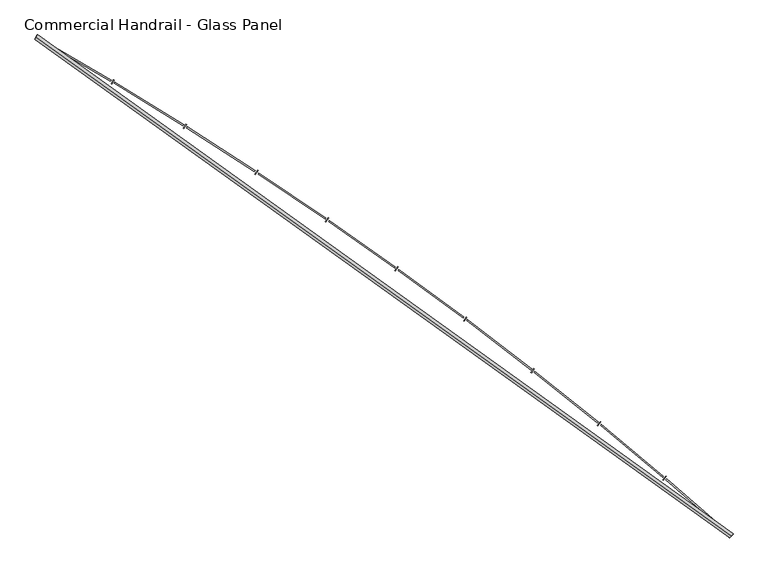
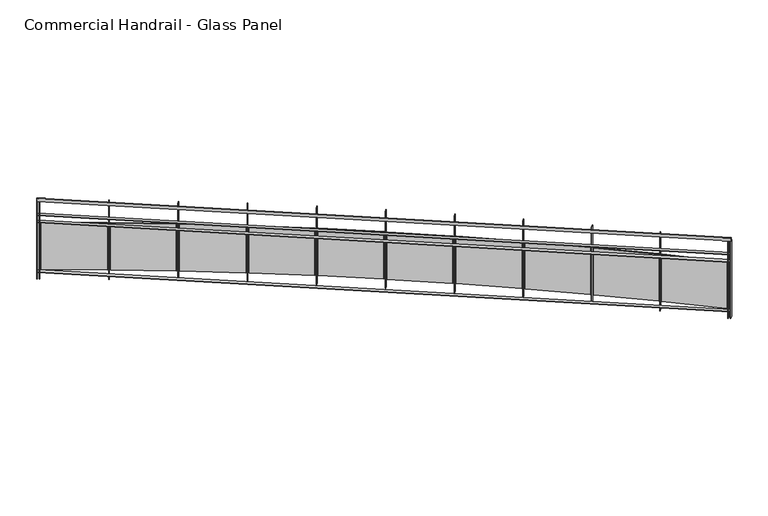
"""IFC4 building model written with IfcOpenShell, lengths in millimetres: railing geometry, Commercial Handrail - Glass Panel."""

from ifc_helpers import new_model, si_unit, point, frame, origin, place, context, project, spatial, polyline, circle_curve, ellipse_curve, trimmed, outline, extrude, source, transform, mapped, element, save
from ifc_brep_helpers import plane_surface, cylinder_surface, revolved_surface, advanced_brep


def commercial_handrail_glass_panel_553c656f(model_context):
    return source(origin(), model_context, "Body", "SolidModel", [
        advanced_brep(
        [(167549.0741026, -21421.502679, 29882.5), (161013.6212135, -16726.1286002, 29882.5), (161013.6212135, -16726.1286002, 29917.5), (167549.0741026, -21421.502679, 29917.5)],
        [
            (0, 1, circle_curve(frame((141448.4989992, -50854.6714836, 29882.5), z_axis=(0.0, 0.0, 1.0), x_axis=(0.4973475894068907, 0.8675513675346002, 0.0)), 39338.9304203)),
            (1, 2, ellipse_curve(frame((161013.6212135, -16726.1286002, 29900.0), z_axis=(0.8675513675345968, -0.4973475894068965, 0.0), x_axis=(-0.4973475894068965, -0.8675513675345968, 0.0)), 25.0, 17.5)),
            (2, 3, circle_curve(frame((141448.4989992, -50854.6714836, 29917.5), z_axis=(0.0, 0.0, -1.0), x_axis=(0.4973475894068907, 0.8675513675346002, 0.0)), 39338.9304203)),
            (3, 0, ellipse_curve(frame((167549.0741026, -21421.502679, 29900.0), z_axis=(-0.7481944346262088, 0.6634795309535689, 0.0), x_axis=(-0.6634795309535689, -0.7481944346262088, 0.0)), 25.0, 17.5)),
            (2, 1, ellipse_curve(frame((161013.6212135, -16726.1286002, 29900.0), z_axis=(0.8675513675345968, -0.4973475894068965, 0.0), x_axis=(-0.4973475894068965, -0.8675513675345968, 0.0)), 25.0, 17.5)),
            (0, 3, ellipse_curve(frame((167549.0741026, -21421.502679, 29900.0), z_axis=(-0.7481944346262088, 0.6634795309535689, 0.0), x_axis=(-0.6634795309535689, -0.7481944346262088, 0.0)), 25.0, 17.5)),
        ],
        [
            revolved_surface(trimmed(ellipse_curve(frame((161013.6212135, -16726.1286002, 29900.0), z_axis=(-0.8675513675346002, 0.4973475894068907, 0.0), x_axis=(0.0, 0.0, -1.0)), 17.5, 25.0), [point((161013.6212135, -16726.1286002, 29917.5))], [point((161013.6212135, -16726.1286002, 29882.5))], True, "CARTESIAN"), (141448.4989992, -50854.6714836, 29900.0), (0.0, 0.0, -1.0)),
            revolved_surface(trimmed(ellipse_curve(frame((161013.6212135, -16726.1286002, 29900.0), z_axis=(-0.8675513675346002, 0.4973475894068907, 0.0), x_axis=(0.0, 0.0, -1.0)), 17.5, 25.0), [point((161013.6212135, -16726.1286002, 29882.5))], [point((161013.6212135, -16726.1286002, 29917.5))], True, "CARTESIAN"), (141448.4989992, -50854.6714836, 29900.0), (0.0, 0.0, -1.0)),
            plane_surface(frame((161013.6212135, -16726.1286002, 29900.0), z_axis=(-0.8675513675346002, 0.4973475894068907, 0.0), x_axis=(0.4973475894068907, 0.8675513675346002, 0.0))),
            plane_surface(frame((167549.0741026, -21421.502679, 29900.0), z_axis=(0.7481944346262088, -0.663479530953569, 0.0), x_axis=(0.663479530953569, 0.7481944346262088, 0.0))),
        ],
        [
            (0, [[1, 2, 3, 4]]),
            (1, [[-3, 5, -1, 6]]),
            (2, [[-2, -5]]),
            (3, [[-6, -4]]),
        ],
    ),
        advanced_brep(
        [(167564.0023921, -21404.6683042, 29700.0), (161024.8115343, -16706.6086944, 29700.0), (161002.4308928, -16745.6485059, 29700.0), (167534.1458132, -21438.3370538, 29700.0), (167564.0023921, -21404.6683042, 29694.0), (161024.8115343, -16706.6086944, 29694.0), (167534.1458132, -21438.3370538, 29694.0), (161002.4308928, -16745.6485059, 29694.0)],
        [
            (0, 1, circle_curve(frame((141448.4989992, -50854.6714836, 29700.0), z_axis=(0.0, 0.0, 1.0), x_axis=(0.4973475894068907, 0.8675513675346002, 0.0)), 39361.4304203)),
            (1, 2),
            (2, 3, circle_curve(frame((141448.4989992, -50854.6714836, 29700.0), z_axis=(0.0, 0.0, -1.0), x_axis=(0.4973475894068907, 0.8675513675346002, 0.0)), 39316.4304203)),
            (3, 0),
            (4, 5, circle_curve(frame((141448.4989992, -50854.6714836, 29694.0), z_axis=(0.0, 0.0, 1.0), x_axis=(0.4973475894068907, 0.8675513675346002, 0.0)), 39361.4304203)),
            (5, 1),
            (0, 4),
            (6, 7, circle_curve(frame((141448.4989992, -50854.6714836, 29694.0), z_axis=(0.0, 0.0, 1.0), x_axis=(0.4973475894068907, 0.8675513675346002, 0.0)), 39316.4304203)),
            (7, 5),
            (4, 6),
            (2, 7),
            (6, 3),
        ],
        [
            plane_surface(frame((141448.4989992, -50854.6714836, 29700.0), z_axis=(0.0, 0.0, 1.0), x_axis=(0.4973475894068907, 0.8675513675346002, 0.0))),
            cylinder_surface(frame((141448.4989992, -50854.6714836, 29700.0), z_axis=(0.0, 0.0, -1.0), x_axis=(0.4973475894068907, 0.8675513675346002, 0.0)), 39361.4304203),
            plane_surface(frame((141448.4989992, -50854.6714836, 29694.0), z_axis=(0.0, 0.0, -1.0), x_axis=(0.4973475894068907, 0.8675513675346002, 0.0))),
            revolved_surface(polyline([(161002.43089281995, -16745.64850588978, 29694.0), (161002.43089281995, -16745.64850588978, 29700.0)]), (141448.4989992, -50854.6714836, 29700.0), (0.0, 0.0, -1.0)),
            plane_surface(frame((161013.6212135, -16726.1286002, 29700.0), z_axis=(-0.8675513675346002, 0.4973475894068907, 0.0), x_axis=(0.4973475894068907, 0.8675513675346002, 0.0))),
            plane_surface(frame((167549.0741026, -21421.502679, 29700.0), z_axis=(0.7481944346262088, -0.663479530953569, 0.0), x_axis=(0.663479530953569, 0.7481944346262088, 0.0))),
        ],
        [
            (0, [[1, 2, 3, 4]]),
            (1, [[5, 6, -1, 7]]),
            (2, [[8, 9, -5, 10]]),
            (3, [[-3, 11, -8, 12]]),
            (4, [[-2, -6, -9, -11]]),
            (5, [[-12, -10, -7, -4]]),
        ],
    ),
        advanced_brep(
        [(167564.0023921, -21404.6683042, 29600.0), (161024.8115343, -16706.6086944, 29600.0), (161002.4308928, -16745.6485059, 29600.0), (167534.1458132, -21438.3370538, 29600.0), (167564.0023921, -21404.6683042, 29594.0), (161024.8115343, -16706.6086944, 29594.0), (167534.1458132, -21438.3370538, 29594.0), (161002.4308928, -16745.6485059, 29594.0)],
        [
            (0, 1, circle_curve(frame((141448.4989992, -50854.6714836, 29600.0), z_axis=(0.0, 0.0, 1.0), x_axis=(0.4973475894068907, 0.8675513675346002, 0.0)), 39361.4304203)),
            (1, 2),
            (2, 3, circle_curve(frame((141448.4989992, -50854.6714836, 29600.0), z_axis=(0.0, 0.0, -1.0), x_axis=(0.4973475894068907, 0.8675513675346002, 0.0)), 39316.4304203)),
            (3, 0),
            (4, 5, circle_curve(frame((141448.4989992, -50854.6714836, 29594.0), z_axis=(0.0, 0.0, 1.0), x_axis=(0.4973475894068907, 0.8675513675346002, 0.0)), 39361.4304203)),
            (5, 1),
            (0, 4),
            (6, 7, circle_curve(frame((141448.4989992, -50854.6714836, 29594.0), z_axis=(0.0, 0.0, 1.0), x_axis=(0.4973475894068907, 0.8675513675346002, 0.0)), 39316.4304203)),
            (7, 5),
            (4, 6),
            (2, 7),
            (6, 3),
        ],
        [
            plane_surface(frame((141448.4989992, -50854.6714836, 29600.0), z_axis=(0.0, 0.0, 1.0), x_axis=(0.4973475894068907, 0.8675513675346002, 0.0))),
            cylinder_surface(frame((141448.4989992, -50854.6714836, 29600.0), z_axis=(0.0, 0.0, -1.0), x_axis=(0.4973475894068907, 0.8675513675346002, 0.0)), 39361.4304203),
            plane_surface(frame((141448.4989992, -50854.6714836, 29594.0), z_axis=(0.0, 0.0, -1.0), x_axis=(0.4973475894068907, 0.8675513675346002, 0.0))),
            revolved_surface(polyline([(161002.43089281995, -16745.64850588978, 29594.0), (161002.43089281995, -16745.64850588978, 29600.0)]), (141448.4989992, -50854.6714836, 29600.0), (0.0, 0.0, -1.0)),
            plane_surface(frame((161013.6212135, -16726.1286002, 29600.0), z_axis=(-0.8675513675346002, 0.4973475894068907, 0.0), x_axis=(0.4973475894068907, 0.8675513675346002, 0.0))),
            plane_surface(frame((167549.0741026, -21421.502679, 29600.0), z_axis=(0.7481944346262088, -0.663479530953569, 0.0), x_axis=(0.663479530953569, 0.7481944346262088, 0.0))),
        ],
        [
            (0, [[1, 2, 3, 4]]),
            (1, [[5, 6, -1, 7]]),
            (2, [[8, 9, -5, 10]]),
            (3, [[-3, 11, -8, 12]]),
            (4, [[-2, -6, -9, -11]]),
            (5, [[-12, -10, -7, -4]]),
        ],
    ),
        advanced_brep(
        [(167564.0023921, -21404.6683042, 28900.0), (161024.8115343, -16706.6086944, 28900.0), (161002.4308928, -16745.6485059, 28900.0), (167534.1458132, -21438.3370538, 28900.0), (167564.0023921, -21404.6683042, 28894.0), (161024.8115343, -16706.6086944, 28894.0), (167534.1458132, -21438.3370538, 28894.0), (161002.4308928, -16745.6485059, 28894.0)],
        [
            (0, 1, circle_curve(frame((141448.4989992, -50854.6714836, 28900.0), z_axis=(0.0, 0.0, 1.0), x_axis=(0.4973475894068907, 0.8675513675346002, 0.0)), 39361.4304203)),
            (1, 2),
            (2, 3, circle_curve(frame((141448.4989992, -50854.6714836, 28900.0), z_axis=(0.0, 0.0, -1.0), x_axis=(0.4973475894068907, 0.8675513675346002, 0.0)), 39316.4304203)),
            (3, 0),
            (4, 5, circle_curve(frame((141448.4989992, -50854.6714836, 28894.0), z_axis=(0.0, 0.0, 1.0), x_axis=(0.4973475894068907, 0.8675513675346002, 0.0)), 39361.4304203)),
            (5, 1),
            (0, 4),
            (6, 7, circle_curve(frame((141448.4989992, -50854.6714836, 28894.0), z_axis=(0.0, 0.0, 1.0), x_axis=(0.4973475894068907, 0.8675513675346002, 0.0)), 39316.4304203)),
            (7, 5),
            (4, 6),
            (2, 7),
            (6, 3),
        ],
        [
            plane_surface(frame((141448.4989992, -50854.6714836, 28900.0), z_axis=(0.0, 0.0, 1.0), x_axis=(0.4973475894068907, 0.8675513675346002, 0.0))),
            cylinder_surface(frame((141448.4989992, -50854.6714836, 28900.0), z_axis=(0.0, 0.0, -1.0), x_axis=(0.4973475894068907, 0.8675513675346002, 0.0)), 39361.4304203),
            plane_surface(frame((141448.4989992, -50854.6714836, 28894.0), z_axis=(0.0, 0.0, -1.0), x_axis=(0.4973475894068907, 0.8675513675346002, 0.0))),
            revolved_surface(polyline([(161002.43089281995, -16745.64850588978, 28894.0), (161002.43089281995, -16745.64850588978, 28900.0)]), (141448.4989992, -50854.6714836, 28900.0), (0.0, 0.0, -1.0)),
            plane_surface(frame((161013.6212135, -16726.1286002, 28900.0), z_axis=(-0.8675513675346002, 0.4973475894068907, 0.0), x_axis=(0.4973475894068907, 0.8675513675346002, 0.0))),
            plane_surface(frame((167549.0741026, -21421.502679, 28900.0), z_axis=(0.7481944346262088, -0.663479530953569, 0.0), x_axis=(0.663479530953569, 0.7481944346262088, 0.0))),
        ],
        [
            (0, [[1, 2, 3, 4]]),
            (1, [[5, 6, -1, 7]]),
            (2, [[8, 9, -5, 10]]),
            (3, [[-3, 11, -8, 12]]),
            (4, [[-2, -6, -9, -11]]),
            (5, [[-12, -10, -7, -4]]),
        ],
    ),
        extrude(outline(polyline([(167508.9444824, -21416.0082801), (167538.7747877, -21382.3162501), (167543.2670583, -21386.2936241), (167513.436753, -21419.9856541), (167508.9444824, -21416.0082801)])), frame((0.0, 0.0, 28800.0), z_axis=(0.0, 0.0, 1.0), x_axis=(1.0, 0.0, 0.0)), (0.0, 0.0, 1.0), 1082.1192282),
        extrude(outline(polyline([(166942.1525945, -20883.992877), (167516.2667104, -21381.9818146), (167508.4037272, -21391.0467743), (166934.2896113, -20893.0578368), (166942.1525945, -20883.992877)])), frame((0.0, 0.0, 28920.0), z_axis=(0.0, 0.0, 1.0), x_axis=(1.0, 0.0, 0.0)), (0.0, 0.0, 1.0), 660.0),
        extrude(outline(polyline([(166904.9299151, -20892.1643286), (166934.0689354, -20857.8726752), (166938.6411559, -20861.7578779), (166909.5021355, -20896.0495313), (166904.9299151, -20892.1643286)])), frame((0.0, 0.0, 28800.0), z_axis=(0.0, 0.0, 1.0), x_axis=(1.0, 0.0, 0.0)), (0.0, 0.0, 1.0), 1082.1192282),
        extrude(outline(polyline([(166327.4368564, -20371.7844669), (166911.5587116, -20857.9960035), (166903.8816873, -20867.2189802), (166319.7598321, -20381.0074436), (166327.4368564, -20371.7844669)])), frame((0.0, 0.0, 28920.0), z_axis=(0.0, 0.0, 1.0), x_axis=(1.0, 0.0, 0.0)), (0.0, 0.0, 1.0), 660.0),
        extrude(outline(polyline([(166290.3880375, -20380.7111404), (166318.8237226, -20345.8340446), (166323.4740021, -20349.6254693), (166295.0383169, -20384.5025651), (166290.3880375, -20380.7111404)])), frame((0.0, 0.0, 28800.0), z_axis=(0.0, 0.0, 1.0), x_axis=(1.0, 0.0, 0.0)), (0.0, 0.0, 1.0), 1082.1192282),
        extrude(outline(polyline([(165702.4326258, -19872.1820192), (166296.3206611, -20346.4150858), (166288.8327706, -20355.7922653), (165694.9447352, -19881.5591987), (165702.4326258, -19872.1820192)])), frame((0.0, 0.0, 28920.0), z_axis=(0.0, 0.0, 1.0), x_axis=(1.0, 0.0, 0.0)), (0.0, 0.0, 1.0), 660.0),
        extrude(outline(polyline([(165665.5729886, -19881.860223), (165693.2935792, -19846.4121081), (165698.0199946, -19850.1081868), (165670.2994039, -19885.5563018), (165665.5729886, -19881.860223)])), frame((0.0, 0.0, 28800.0), z_axis=(0.0, 0.0, 1.0), x_axis=(1.0, 0.0, 0.0)), (0.0, 0.0, 1.0), 1082.1192282),
        extrude(outline(polyline([(165067.3983683, -19385.3921406), (165670.8069859, -19847.4506219), (165663.5113257, -19856.9781264), (165060.102708, -19394.9196451), (165067.3983683, -19385.3921406)])), frame((0.0, 0.0, 28920.0), z_axis=(0.0, 0.0, 1.0), x_axis=(1.0, 0.0, 0.0)), (0.0, 0.0, 1.0), 660.0),
        extrude(outline(polyline([(165030.7431559, -19395.8178725), (165057.7371883, -19359.8133976), (165062.537785, -19363.412602), (165035.5437525, -19399.4170768), (165030.7431559, -19395.8178725)])), frame((0.0, 0.0, 28800.0), z_axis=(0.0, 0.0, 1.0), x_axis=(1.0, 0.0, 0.0)), (0.0, 0.0, 1.0), 1082.1192282),
        extrude(outline(polyline([(164422.5966974, -18911.6161393), (165035.2763625, -19361.3089545), (165028.1759496, -19370.982844), (164415.4962846, -18921.2900288), (164422.5966974, -18911.6161393)])), frame((0.0, 0.0, 28920.0), z_axis=(0.0, 0.0, 1.0), x_axis=(1.0, 0.0, 0.0)), (0.0, 0.0, 1.0), 660.0),
        extrude(outline(polyline([(164386.1610683, -18922.7850878), (164412.4173794, -18886.2391424), (164417.2901721, -18889.7399839), (164391.033861, -18926.2859293), (164386.1610683, -18922.7850878)])), frame((0.0, 0.0, 28800.0), z_axis=(0.0, 0.0, 1.0), x_axis=(1.0, 0.0, 0.0)), (0.0, 0.0, 1.0), 1082.1192282),
        extrude(outline(polyline([(163768.294266, -18451.0499418), (164389.9916095, -18888.1911239), (164383.0893803, -18898.0073978), (163761.3920368, -18460.8662157), (163768.294266, -18451.0499418)])), frame((0.0, 0.0, 28920.0), z_axis=(0.0, 0.0, 1.0), x_axis=(1.0, 0.0, 0.0)), (0.0, 0.0, 1.0), 660.0),
        extrude(outline(polyline([(163732.0932877, -18462.957488), (163757.6010195, -18425.8851854), (163762.5439932, -18429.2862163), (163737.0362614, -18466.3585189), (163732.0932877, -18462.957488)])), frame((0.0, 0.0, 28800.0), z_axis=(0.0, 0.0, 1.0), x_axis=(1.0, 0.0, 0.0)), (0.0, 0.0, 1.0), 1082.1192282),
        extrude(outline(polyline([(163104.7616557, -18003.8840116), (163735.2195795, -18428.2927843), (163728.5183883, -18438.2473831), (163098.0604645, -18013.8386104), (163104.7616557, -18003.8840116)])), frame((0.0, 0.0, 28920.0), z_axis=(0.0, 0.0, 1.0), x_axis=(1.0, 0.0, 0.0)), (0.0, 0.0, 1.0), 660.0),
        extrude(outline(polyline([(163068.810299, -18016.5252312), (163093.5589027, -17978.9419023), (163098.5700133, -17982.2417162), (163073.8214095, -18019.8250451), (163068.810299, -18016.5252312)])), frame((0.0, 0.0, 28800.0), z_axis=(0.0, 0.0, 1.0), x_axis=(1.0, 0.0, 0.0)), (0.0, 0.0, 1.0), 1082.1192282),
        extrude(outline(polyline([(162432.2732653, -17570.3032708), (163071.2310484, -17981.8041231), (163064.7336665, -17991.8929302), (162425.7758834, -17580.3920779), (162432.2732653, -17570.3032708)])), frame((0.0, 0.0, 28920.0), z_axis=(0.0, 0.0, 1.0), x_axis=(1.0, 0.0, 0.0)), (0.0, 0.0, 1.0), 660.0),
        extrude(outline(polyline([(162396.5863975, -17583.6729362), (162420.5656387, -17545.5941233), (162425.6428138, -17548.7913555), (162401.6635725, -17586.8701683), (162396.5863975, -17583.6729362)])), frame((0.0, 0.0, 28800.0), z_axis=(0.0, 0.0, 1.0), x_axis=(1.0, 0.0, 0.0)), (0.0, 0.0, 1.0), 1082.1192282),
        extrude(outline(polyline([(161751.1071971, -17150.4870233), (162398.3006035, -17548.9097821), (162392.0097178, -17559.1286254), (161744.8163114, -17160.7058665), (161751.1071971, -17150.4870233)])), frame((0.0, 0.0, 28920.0), z_axis=(0.0, 0.0, 1.0), x_axis=(1.0, 0.0, 0.0)), (0.0, 0.0, 1.0), 660.0),
        extrude(outline(polyline([(161715.6995763, -17164.5796055), (161738.8995386, -17126.0210558), (161744.0406785, -17129.1143841), (161720.8407163, -17167.6729338), (161715.6995763, -17164.5796055)])), frame((0.0, 0.0, 28800.0), z_axis=(0.0, 0.0, 1.0), x_axis=(1.0, 0.0, 0.0)), (0.0, 0.0, 1.0), 1082.1192282),
        extrude(outline(polyline([(161061.5451422, -16744.6088808), (161716.70653, -17129.7887816), (161710.6247421, -17140.1334351), (161055.4633543, -16754.9535343), (161061.5451422, -16744.6088808)])), frame((0.0, 0.0, 28920.0), z_axis=(0.0, 0.0, 1.0), x_axis=(1.0, 0.0, 0.0)), (0.0, 0.0, 1.0), 660.0),
        extrude(outline(polyline([(161026.431411, -16759.418552), (161048.8425001, -16720.3962112), (161054.0454789, -16723.3843564), (161031.6343898, -16762.4066972), (161026.431411, -16759.418552)])), frame((0.0, 0.0, 28800.0), z_axis=(0.0, 0.0, 1.0), x_axis=(1.0, 0.0, 0.0)), (0.0, 0.0, 1.0), 1082.1192282),
        extrude(outline(polyline([(167531.9012299, -21436.3466152), (167561.7578088, -21402.6778657), (167566.2469754, -21406.6587428), (167536.3903965, -21440.3274924), (167531.9012299, -21436.3466152)])), frame((0.0, 0.0, 28800.0), z_axis=(0.0, 0.0, 1.0), x_axis=(1.0, 0.0, 0.0)), (0.0, 0.0, 1.0), 1082.1192282),
        extrude(outline(polyline([(160999.8282387, -16744.1564632), (161022.2088802, -16705.1166516), (161027.4141884, -16708.1007372), (161005.0335469, -16747.1405487), (160999.8282387, -16744.1564632)])), frame((0.0, 0.0, 28800.0), z_axis=(0.0, 0.0, 1.0), x_axis=(1.0, 0.0, 0.0)), (0.0, 0.0, 1.0), 1082.1192282),
    ])


if __name__ == "__main__":
    model = new_model("IFC4")
    model_context = context("Model", 3, world=origin())
    ifc_project = project(units=[si_unit("LENGTHUNIT", "METRE", prefix="MILLI")], contexts=[model_context])
    site = spatial("IfcSite", under=ifc_project)
    building = spatial("IfcBuilding", under=site)
    placement = place(None, origin())
    commercial_handrail_glass_panel_shape = commercial_handrail_glass_panel_553c656f(model_context)
    element("IfcRailing", 1, ObjectType="Commercial Handrail - Glass Panel", at=placement, inside=building, context=model_context, shape_type="MappedRepresentation", body=[
        mapped(commercial_handrail_glass_panel_shape, transform((0.0, 0.0, 0.0), x_axis=(1.0, 0.0, 0.0), y_axis=(0.0, 1.0, 0.0), z_axis=(0.0, 0.0, 1.0))),
    ])
    save(model, "model.ifc")
